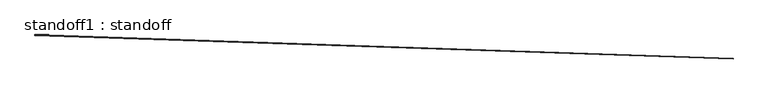
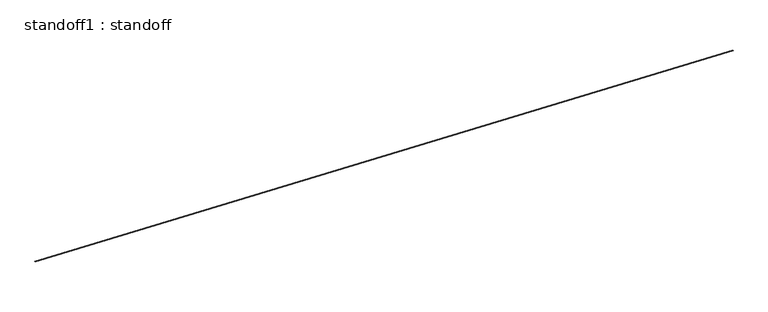
"""IFC4 building model written with IfcOpenShell, lengths in millimetres: proxy geometry, standoff1 : standoff."""

import ifcopenshell
import ifcopenshell.guid

model = None  # the IFC model being written
_history = None  # IfcOwnerHistory: only IFC2X3 demands one
_inside = {}  # id of a spatial element -> (the spatial element, [elements in it])
_under = {}  # id of a project, library or spatial element -> (it, [spatial elements below it])
_declared = {}  # id of a project -> (the project, [libraries it declares])
_typed = {}  # id of a type object -> (the type object, [elements of that type])
_made_of = {}  # id of a material, layer set ... -> (it, [elements and type objects made of it])


def new_model(schema):
    """Start an empty IFC model of exactly this schema.

    Asked for "IFC4X3", IfcOpenShell would pick the latest addendum, in which some entities
    have other attributes; the version numbers below select the first issue.
    IFC2X3 requires an IfcOwnerHistory on every rooted entity: one is made here for all.
    """
    global model, _history
    if schema == "IFC4X3":
        model = ifcopenshell.file(schema_version=(4, 3, 0, 0))
    else:
        model = ifcopenshell.file(schema=schema)
    _inside.clear()
    _under.clear()
    _declared.clear()
    _typed.clear()
    _made_of.clear()
    _history = None
    if model.schema == "IFC2X3":
        org = make("IfcOrganization", Name="unknown")
        user = make(
            "IfcPersonAndOrganization",
            ThePerson=make("IfcPerson", FamilyName="unknown"),
            TheOrganization=org,
        )
        app = make(
            "IfcApplication",
            ApplicationDeveloper=org,
            Version="unknown",
            ApplicationFullName="unknown",
            ApplicationIdentifier="unknown",
        )
        _history = make(
            "IfcOwnerHistory",
            OwningUser=user,
            OwningApplication=app,
            ChangeAction="ADDED",
            CreationDate=0,
        )
    return model


def make(cls, **values):
    """One entity of the class cls with the attributes given. An attribute that is None is left unset."""
    return model.create_entity(
        cls, **{name: value for name, value in values.items() if value is not None}
    )


def rooted(cls, **values):
    """An entity with a GlobalId (a new one), such as an element, a storey or a relation."""
    return make(cls, GlobalId=ifcopenshell.guid.new(), OwnerHistory=_history, **values)


def si_unit(unit_type, name, prefix=None):
    """IfcSIUnit, for example si_unit("LENGTHUNIT", "METRE", prefix="MILLI")."""
    return make("IfcSIUnit", UnitType=unit_type, Prefix=prefix, Name=name)


def assignment(units):
    """IfcUnitAssignment: the units of a project."""
    return None if units is None else make("IfcUnitAssignment", Units=units)


def point(xyz):
    """IfcCartesianPoint."""
    return None if xyz is None else make("IfcCartesianPoint", Coordinates=xyz)


def direction(xyz):
    """IfcDirection."""
    return None if xyz is None else make("IfcDirection", DirectionRatios=xyz)


def frame(location, z_axis=None, x_axis=None):
    """IfcAxis2Placement3D, a coordinate frame: its origin and axes. An axis left out is left unset."""
    return make(
        "IfcAxis2Placement3D",
        Location=point(location),
        Axis=direction(z_axis),
        RefDirection=direction(x_axis),
    )


def origin():
    """The frame at (0, 0, 0) with its axes left unset."""
    return frame((0.0, 0.0, 0.0))


def place(relative_to, where):
    """IfcLocalPlacement: puts the frame where relative to a parent placement (None: the world)."""
    return make(
        "IfcLocalPlacement", PlacementRelTo=relative_to, RelativePlacement=where
    )


def context(
    kind, dimensions, precision=None, world=None, true_north=None, identifier=None
):
    """IfcGeometricRepresentationContext, for example the 3D "Model" context."""
    return make(
        "IfcGeometricRepresentationContext",
        ContextIdentifier=identifier,
        ContextType=kind,
        CoordinateSpaceDimension=dimensions,
        Precision=precision,
        WorldCoordinateSystem=world,
        TrueNorth=true_north,
    )


def project(units=None, contexts=None):
    """IfcProject with its units and contexts."""
    return rooted(
        "IfcProject",
        Name="project",
        RepresentationContexts=contexts,
        UnitsInContext=assignment(units),
    )


def spatial(cls, under=None, at=None, **own):
    """A site, building, storey or space (cls), placed at a placement, below another one or the project."""
    s = rooted(cls, ObjectPlacement=at, **own)
    if under is not None:
        _under.setdefault(under.id(), (under, []))[1].append(s)
    return s


def faces_of(points, faces, orient=None, outer=None):
    """IfcFace entities. A face is a list of loops; a loop is a list of indices into points, from 0.

    orient and outer hold one flag for each loop. By default every Orientation is true, the
    first loop of a face is its IfcFaceOuterBound and the others are IfcFaceBound.
    """
    made = []
    for i, loops in enumerate(faces):
        bounds = []
        for j, loop in enumerate(loops):
            is_outer = j == 0 if outer is None else outer[i][j]
            bounds.append(
                make(
                    "IfcFaceOuterBound" if is_outer else "IfcFaceBound",
                    Bound=make("IfcPolyLoop", Polygon=[points[k] for k in loop]),
                    Orientation=True if orient is None else orient[i][j],
                )
            )
        made.append(make("IfcFace", Bounds=bounds))
    return made


def faceted_brep(points, faces, orient=None, outer=None, voids=None):
    """IfcFacetedBrep: a solid bounded by flat faces; with voids (closed shells), ...WithVoids."""
    shared = [point(p) for p in points]
    hull = make("IfcClosedShell", CfsFaces=faces_of(shared, faces, orient, outer))
    if voids is None:
        return make("IfcFacetedBrep", Outer=hull)
    return make(
        "IfcFacetedBrepWithVoids",
        Outer=hull,
        Voids=[
            make(cls, CfsFaces=faces_of(shared, fs, o, b)) for cls, fs, o, b in voids
        ],
    )


def shape(context_of_items, identifier, shape_type, items):
    """IfcShapeRepresentation: the items that make up one representation, for example the "Body"."""
    return make(
        "IfcShapeRepresentation",
        ContextOfItems=context_of_items,
        RepresentationIdentifier=identifier,
        RepresentationType=shape_type,
        Items=items,
    )


def source(mapping_origin, context_of_items, identifier, shape_type, items):
    """IfcRepresentationMap: a shape defined once, which mapped items show again and again."""
    return make(
        "IfcRepresentationMap",
        MappingOrigin=mapping_origin,
        MappedRepresentation=shape(context_of_items, identifier, shape_type, items),
    )


def transform(
    local_origin,
    x_axis=None,
    y_axis=None,
    z_axis=None,
    scale=None,
    scale2=None,
    scale3=None,
    uniform=True,
):
    """IfcCartesianTransformationOperator3D, or its non-uniform kind. x_axis, y_axis, z_axis: its Axis1, 2, 3."""
    if uniform:
        return make(
            "IfcCartesianTransformationOperator3D",
            Axis1=direction(x_axis),
            Axis2=direction(y_axis),
            LocalOrigin=point(local_origin),
            Scale=scale,
            Axis3=direction(z_axis),
        )
    return make(
        "IfcCartesianTransformationOperator3DnonUniform",
        Axis1=direction(x_axis),
        Axis2=direction(y_axis),
        LocalOrigin=point(local_origin),
        Scale=scale,
        Axis3=direction(z_axis),
        Scale2=scale2,
        Scale3=scale3,
    )


def mapped(mapping_source, mapping_target):
    """IfcMappedItem: shows the shape of a source again, moved by a transform."""
    return make(
        "IfcMappedItem", MappingSource=mapping_source, MappingTarget=mapping_target
    )


def made_of(thing, what):
    """Note that an element or type object is made of a material, layer set ...; save() writes the relation."""
    if what is not None:
        _made_of.setdefault(what.id(), (what, []))[1].append(thing)
    return thing


def element(
    cls,
    number,
    at=None,
    inside=None,
    cuts=None,
    type_object=None,
    material=None,
    context=None,
    identifier="Body",
    shape_type=None,
    held_by="IfcProductDefinitionShape",
    body=None,
    shapes=None,
    **own,
):
    """One element of the class cls, such as IfcWall. Its Tag is "e" and its number.

    at: its placement. inside: the storey or other place that contains it. cuts: it is an
    opening in that element (IfcRelVoidsElement). A single representation is given by context,
    identifier, shape_type and body (its items); several are given by shapes. held_by: the class
    of the entity that holds the representations. save() writes the other relations.
    """
    e = rooted(cls, Tag="e%d" % number, ObjectPlacement=at, **own)
    if body is not None:
        shapes = [shape(context, identifier, shape_type, body)]
    if shapes is not None:
        e.Representation = make(held_by, Representations=shapes)
    if inside is not None:
        _inside.setdefault(inside.id(), (inside, []))[1].append(e)
    if cuts is not None:
        rooted(
            "IfcRelVoidsElement", RelatingBuildingElement=cuts, RelatedOpeningElement=e
        )
    if type_object is not None:
        _typed.setdefault(type_object.id(), (type_object, []))[1].append(e)
    return made_of(e, material)


def aggregate(whole, parts):
    """IfcRelAggregates: a whole, such as a stair, and the parts it consists of."""
    return rooted("IfcRelAggregates", RelatingObject=whole, RelatedObjects=parts)


def save(model, path):
    """Write the relations noted so far, then the file.

    IfcRelAggregates (storeys below a building ...), IfcRelContainedInSpatialStructure (elements
    in a storey), IfcRelDefinesByType, IfcRelAssociatesMaterial and IfcRelDeclares: one each for
    every whole, place, type object, material and project.
    """
    for whole, parts in _under.values():
        aggregate(whole, parts)
    for where, things in _inside.values():
        rooted(
            "IfcRelContainedInSpatialStructure",
            RelatedElements=things,
            RelatingStructure=where,
        )
    for kind, things in _typed.values():
        rooted("IfcRelDefinesByType", RelatedObjects=things, RelatingType=kind)
    for what, things in _made_of.values():
        rooted("IfcRelAssociatesMaterial", RelatedObjects=things, RelatingMaterial=what)
    for by, libraries in _declared.values():
        rooted("IfcRelDeclares", RelatingContext=by, RelatedDefinitions=libraries)
    model.write(path)


def standoff1_standoff_b44a40f9(model_context):
    return source(origin(), model_context, "Body", "Brep", [
        faceted_brep([(17312.6955717, -14391.8617757, 4279.5266118), (17312.7026377, -14391.6537128, 4277.1443385), (17312.1452619, -14408.0658979, 4275.7076361), (17312.1381958, -14408.2739608, 4278.0899095), (34371.6607884, -14971.2055204, 4228.8111313), (34371.1034126, -14987.6177055, 4227.374429), (34371.1104786, -14987.4096427, 4224.9921557), (34371.6678544, -14970.9974576, 4226.428858)], [[[0, 1, 2, 3]], [[4, 5, 6, 7]], [[4, 7, 1, 0]], [[7, 6, 2, 1]], [[6, 5, 3, 2]], [[5, 4, 0, 3]]]),
    ])


if __name__ == "__main__":
    model = new_model("IFC4")
    model_context = context("Model", 3, world=origin())
    ifc_project = project(units=[si_unit("LENGTHUNIT", "METRE", prefix="MILLI")], contexts=[model_context])
    site = spatial("IfcSite", under=ifc_project)
    building = spatial("IfcBuilding", under=site)
    placement = place(None, origin())
    standoff1_standoff_shape = standoff1_standoff_b44a40f9(model_context)
    element("IfcBuildingElementProxy", 1, Name="standoff1 : standoff", ObjectType="standoff1 : standoff", at=placement, inside=building, context=model_context, shape_type="MappedRepresentation", body=[
        mapped(standoff1_standoff_shape, transform((0.0, 0.0, 0.0), x_axis=(1.0, 0.0, 0.0), y_axis=(0.0, 1.0, 0.0), z_axis=(0.0, 0.0, 1.0))),
    ])
    save(model, "model.ifc")
